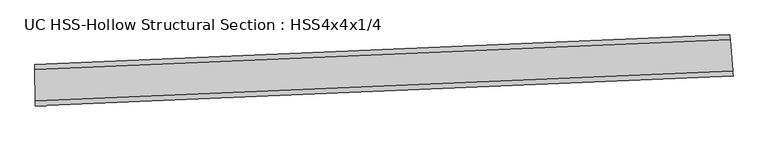
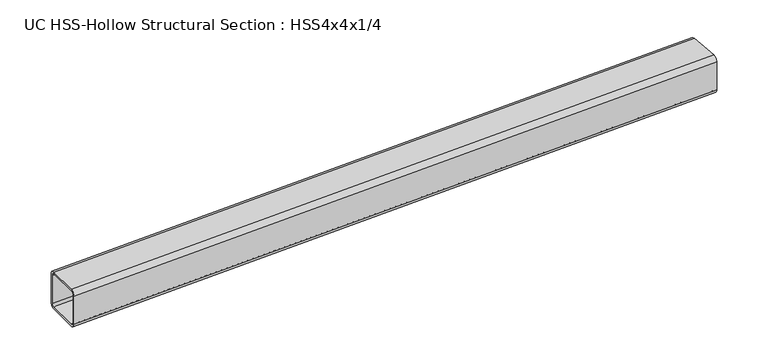
"""IFC4 building model written with IfcOpenShell, lengths in millimetres: beam geometry, UC HSS-Hollow Structural Section : HSS4x4x1/4."""

from ifc_helpers import new_model, si_unit, point, frame, origin, place, context, project, spatial, polyline, circle_curve, ellipse_curve, trimmed, source, transform, mapped, element, save
from ifc_brep_helpers import plane_surface, cylinder_surface, revolved_surface, advanced_brep


def uc_hss_hollow_structural_section_hss4x4x1_4_1772c377(model_context):
    return source(origin(), model_context, "Body", "AdvancedBrep", [
        advanced_brep(
        [(101.5967438, 51.0320546, 38.9636), (101.5967438, 51.0320546, -38.9636), (101.650814, 39.1957781, -50.8), (102.0067953, -38.7306088, -50.8), (102.0608654, -50.5668853, -38.9636), (102.0608654, -50.5668853, 38.9636), (102.0067953, -38.7306088, 50.8), (101.650814, 39.1957781, 50.8), (102.0067953, -38.7306088, 44.8818), (102.0338304, -44.6487471, 38.9636), (102.0338304, -44.6487471, -38.9636), (102.0067953, -38.7306088, -44.8818), (101.650814, 39.1957781, -44.8818), (101.6237789, 45.1139163, -38.9636), (101.6237789, 45.1139163, 38.9636), (101.650814, 39.1957781, 44.8818), (1808.534739, 124.4549223, 38.9636), (1809.497248, 112.6577217, 50.8), (1815.83411, 34.9885986, 50.8), (1816.796619, 23.1913981, 38.9636), (1816.796619, 23.1913981, -38.9636), (1815.83411, 34.9885986, -50.8), (1809.497248, 112.6577217, -50.8), (1808.534739, 124.4549223, -38.9636), (1815.83411, 34.9885986, 44.8818), (1809.497248, 112.6577217, 44.8818), (1809.0159935, 118.556322, 38.9636), (1809.0159935, 118.556322, -38.9636), (1809.497248, 112.6577217, -44.8818), (1815.83411, 34.9885986, -44.8818), (1816.3153645, 29.0899984, -38.9636), (1816.3153645, 29.0899984, 38.9636)],
        [
            (0, 1),
            (1, 2, circle_curve(frame((101.650814, 39.1957781, -38.9636), z_axis=(-0.999989566056174, -0.004568126397664851, 0.0), x_axis=(0.004568126397664851, -0.999989566056174, 0.0)), 11.8364)),
            (2, 3),
            (3, 4, circle_curve(frame((102.0067953, -38.7306088, -38.9636), z_axis=(-0.999989566056174, -0.004568126397664851, 0.0), x_axis=(0.004568126397664851, -0.999989566056174, 0.0)), 11.8364)),
            (4, 5),
            (5, 6, circle_curve(frame((102.0067953, -38.7306088, 38.9636), z_axis=(-0.999989566056174, -0.004568126397664851, 0.0), x_axis=(0.004568126397664851, -0.999989566056174, 0.0)), 11.8364)),
            (6, 7),
            (7, 0, circle_curve(frame((101.650814, 39.1957781, 38.9636), z_axis=(-0.999989566056174, -0.004568126397664851, 0.0), x_axis=(0.004568126397664851, -0.999989566056174, 0.0)), 11.8364)),
            (8, 9, circle_curve(frame((102.0067953, -38.7306088, 38.9636), z_axis=(0.999989566056174, 0.004568126397664851, 0.0), x_axis=(0.004568126397664851, -0.999989566056174, 0.0)), 5.9182)),
            (9, 10),
            (10, 11, circle_curve(frame((102.0067953, -38.7306088, -38.9636), z_axis=(0.999989566056174, 0.004568126397664851, 0.0), x_axis=(0.004568126397664851, -0.999989566056174, 0.0)), 5.9182)),
            (11, 12),
            (12, 13, circle_curve(frame((101.650814, 39.1957781, -38.9636), z_axis=(0.999989566056174, 0.004568126397664851, 0.0), x_axis=(0.004568126397664851, -0.999989566056174, 0.0)), 5.9182)),
            (13, 14),
            (14, 15, circle_curve(frame((101.650814, 39.1957781, 38.9636), z_axis=(0.999989566056174, 0.004568126397664851, 0.0), x_axis=(0.004568126397664851, -0.999989566056174, 0.0)), 5.9182)),
            (15, 8),
            (16, 17, circle_curve(frame((1809.497248, 112.6577217, 38.9636), z_axis=(0.9966882305253137, 0.0813177172104523, 0.0), x_axis=(0.0813177172104523, -0.9966882305253137, 0.0)), 11.8364)),
            (17, 18),
            (18, 19, circle_curve(frame((1815.83411, 34.9885986, 38.9636), z_axis=(0.9966882305253137, 0.0813177172104523, 0.0), x_axis=(0.0813177172104523, -0.9966882305253137, 0.0)), 11.8364)),
            (19, 20),
            (20, 21, circle_curve(frame((1815.83411, 34.9885986, -38.9636), z_axis=(0.9966882305253137, 0.0813177172104523, 0.0), x_axis=(0.0813177172104523, -0.9966882305253137, 0.0)), 11.8364)),
            (21, 22),
            (22, 23, circle_curve(frame((1809.497248, 112.6577217, -38.9636), z_axis=(0.9966882305253137, 0.0813177172104523, 0.0), x_axis=(0.0813177172104523, -0.9966882305253137, 0.0)), 11.8364)),
            (23, 16),
            (24, 25),
            (25, 26, circle_curve(frame((1809.497248, 112.6577217, 38.9636), z_axis=(-0.9966882305253137, -0.0813177172104523, 0.0), x_axis=(0.0813177172104523, -0.9966882305253137, 0.0)), 5.9182)),
            (26, 27),
            (27, 28, circle_curve(frame((1809.497248, 112.6577217, -38.9636), z_axis=(-0.9966882305253137, -0.0813177172104523, 0.0), x_axis=(0.0813177172104523, -0.9966882305253137, 0.0)), 5.9182)),
            (28, 29),
            (29, 30, circle_curve(frame((1815.83411, 34.9885986, -38.9636), z_axis=(-0.9966882305253137, -0.0813177172104523, 0.0), x_axis=(0.0813177172104523, -0.9966882305253137, 0.0)), 5.9182)),
            (30, 31),
            (31, 24, circle_curve(frame((1815.83411, 34.9885986, 38.9636), z_axis=(-0.9966882305253137, -0.0813177172104523, 0.0), x_axis=(0.0813177172104523, -0.9966882305253137, 0.0)), 5.9182)),
            (7, 17, circle_curve(frame((0.0, 22291.1530374, 50.8), z_axis=(0.0, 0.0, 1.0), x_axis=(-0.2142616929129211, 0.97677629319619, 0.0)), 22252.1894374)),
            (16, 0, circle_curve(frame((0.0, 22291.1530374, 38.9636), z_axis=(0.0, 0.0, -1.0), x_axis=(-0.2142616929129211, 0.97677629319619, 0.0)), 22240.3530374)),
            (6, 18, circle_curve(frame((0.0, 22291.1530374, 50.8), z_axis=(0.0, 0.0, 1.0), x_axis=(-0.2142616929129211, 0.97677629319619, 0.0)), 22330.1166374)),
            (5, 19, circle_curve(frame((0.0, 22291.1530374, 38.9636), z_axis=(0.0, 0.0, 1.0), x_axis=(-0.2142616929129211, 0.97677629319619, 0.0)), 22341.9530374)),
            (4, 20, circle_curve(frame((0.0, 22291.1530374, -38.9636), z_axis=(0.0, 0.0, 1.0), x_axis=(-0.2142616929129211, 0.97677629319619, 0.0)), 22341.9530374)),
            (3, 21, circle_curve(frame((0.0, 22291.1530374, -50.8), z_axis=(0.0, 0.0, 1.0), x_axis=(-0.2142616929129211, 0.97677629319619, 0.0)), 22330.1166374)),
            (2, 22, circle_curve(frame((0.0, 22291.1530374, -50.8), z_axis=(0.0, 0.0, 1.0), x_axis=(-0.2142616929129211, 0.97677629319619, 0.0)), 22252.1894374)),
            (1, 23, circle_curve(frame((0.0, 22291.1530374, -38.9636), z_axis=(0.0, 0.0, 1.0), x_axis=(-0.2142616929129211, 0.97677629319619, 0.0)), 22240.3530374)),
            (15, 25, circle_curve(frame((0.0, 22291.1530374, 44.8818), z_axis=(0.0, 0.0, 1.0), x_axis=(-0.2142616929129211, 0.97677629319619, 0.0)), 22252.1894374)),
            (24, 8, circle_curve(frame((0.0, 22291.1530374, 44.8818), z_axis=(0.0, 0.0, -1.0), x_axis=(-0.2142616929129211, 0.97677629319619, 0.0)), 22330.1166374)),
            (14, 26, circle_curve(frame((0.0, 22291.1530374, 38.9636), z_axis=(0.0, 0.0, 1.0), x_axis=(-0.2142616929129211, 0.97677629319619, 0.0)), 22246.2712374)),
            (13, 27, circle_curve(frame((0.0, 22291.1530374, -38.9636), z_axis=(0.0, 0.0, 1.0), x_axis=(-0.2142616929129211, 0.97677629319619, 0.0)), 22246.2712374)),
            (12, 28, circle_curve(frame((0.0, 22291.1530374, -44.8818), z_axis=(0.0, 0.0, 1.0), x_axis=(-0.2142616929129211, 0.97677629319619, 0.0)), 22252.1894374)),
            (11, 29, circle_curve(frame((0.0, 22291.1530374, -44.8818), z_axis=(0.0, 0.0, 1.0), x_axis=(-0.2142616929129211, 0.97677629319619, 0.0)), 22330.1166374)),
            (10, 30, circle_curve(frame((0.0, 22291.1530374, -38.9636), z_axis=(0.0, 0.0, 1.0), x_axis=(-0.2142616929129211, 0.97677629319619, 0.0)), 22336.0348374)),
            (9, 31, circle_curve(frame((0.0, 22291.1530374, 38.9636), z_axis=(0.0, 0.0, 1.0), x_axis=(-0.2142616929129211, 0.97677629319619, 0.0)), 22336.0348374)),
        ],
        [
            plane_surface(frame((101.8288046, 0.2325846, 0.0), z_axis=(-0.999989566056174, -0.004568126397671263, 0.0), x_axis=(0.0, 0.0, 1.0))),
            plane_surface(frame((1812.665679, 73.8231602, 0.0), z_axis=(0.9966882305253133, 0.08131771721045872, 0.0), x_axis=(0.0, 0.0, 1.0))),
            revolved_surface(trimmed(ellipse_curve(frame((-4767.7917799, 44026.5641516, 38.9636), z_axis=(-0.9767762931961914, -0.21426169291291441, 0.0), x_axis=(-0.21426169291291441, 0.9767762931961914, 0.0)), 11.8364, 11.8364), [point((-4765.2556928, 44015.0026366, 38.9636))], [point((-4767.7917799, 44026.5641516, 50.8))], True, "CARTESIAN"), (0.0, 22291.1530374, 0.0), (0.0, 0.0, -1.0000000000000002)),
            plane_surface(frame((0.0, 22291.1530374, 50.8), z_axis=(0.0, 0.0, 1.0000000000000002), x_axis=(-0.2142616929129211, 0.97677629319619, 0.0))),
            revolved_surface(trimmed(ellipse_curve(frame((-4784.4885937, 44102.6815931, 38.9636), z_axis=(-0.9767762931961914, -0.21426169291291441, 0.0), x_axis=(-0.21426169291291441, 0.9767762931961914, 0.0)), 11.8364, 11.8364), [point((-4784.4885937, 44102.6815931, 50.8))], [point((-4787.0246808, 44114.243108, 38.9636))], True, "CARTESIAN"), (0.0, 22291.1530374, 0.0), (0.0, 0.0, -1.0000000000000002)),
            cylinder_surface(frame((0.0, 22291.1530374, 0.0), z_axis=(0.0, 0.0, -1.0000000000000002), x_axis=(-0.2142616929129211, 0.97677629319619, 0.0)), 22341.9530374),
            revolved_surface(trimmed(ellipse_curve(frame((-4784.4885937, 44102.6815931, -38.9636), z_axis=(-0.9767762931961914, -0.21426169291291441, 0.0), x_axis=(-0.21426169291291441, 0.9767762931961914, 0.0)), 11.8364, 11.8364), [point((-4787.0246808, 44114.243108, -38.9636))], [point((-4784.4885937, 44102.6815931, -50.8))], True, "CARTESIAN"), (0.0, 22291.1530374, 0.0), (0.0, 0.0, -1.0000000000000002)),
            plane_surface(frame((0.0, 22291.1530374, -50.8), z_axis=(0.0, 0.0, -1.0000000000000002), x_axis=(-0.2142616929129211, 0.97677629319619, 0.0))),
            revolved_surface(trimmed(ellipse_curve(frame((-4767.7917799, 44026.5641516, -38.9636), z_axis=(-0.9767762931961914, -0.21426169291291441, 0.0), x_axis=(-0.21426169291291441, 0.9767762931961914, 0.0)), 11.8364, 11.8364), [point((-4767.7917799, 44026.5641516, -50.8))], [point((-4765.2556928, 44015.0026366, -38.9636))], True, "CARTESIAN"), (0.0, 22291.1530374, 0.0), (0.0, 0.0, -1.0000000000000002)),
            revolved_surface(polyline([(-4765.255692774351, 44015.0026366462, -38.963600000000014), (-4765.255692774351, 44015.0026366462, 38.963600000000014)]), (0.0, 22291.1530374, 0.0), (0.0, 0.0, -1.0000000000000002)),
            plane_surface(frame((0.0, 22291.1530374, 44.8818), z_axis=(0.0, 0.0, -1.0000000000000002), x_axis=(-0.2142616929129211, 0.97677629319619, 0.0))),
            revolved_surface(trimmed(ellipse_curve(frame((-4767.7917799, 44026.5641516, 38.9636), z_axis=(0.9767762931961914, 0.21426169291291441, 0.0), x_axis=(-0.21426169291291441, 0.9767762931961914, 0.0)), 5.9182, 5.9182), [point((-4767.7917799, 44026.5641516, 44.8818))], [point((-4766.5237363, 44020.7833941, 38.9636))], True, "CARTESIAN"), (0.0, 22291.1530374, 0.0), (0.0, 0.0, -1.0000000000000002)),
            cylinder_surface(frame((0.0, 22291.1530374, 0.0), z_axis=(0.0, 0.0, -1.0000000000000002), x_axis=(-0.2142616929129211, 0.97677629319619, 0.0)), 22246.2712374),
            revolved_surface(trimmed(ellipse_curve(frame((-4767.7917799, 44026.5641516, -38.9636), z_axis=(0.9767762931961914, 0.21426169291291441, 0.0), x_axis=(-0.21426169291291441, 0.9767762931961914, 0.0)), 5.9182, 5.9182), [point((-4766.5237363, 44020.7833941, -38.9636))], [point((-4767.7917799, 44026.5641516, -44.8818))], True, "CARTESIAN"), (0.0, 22291.1530374, 0.0), (0.0, 0.0, -1.0000000000000002)),
            plane_surface(frame((0.0, 22291.1530374, -44.8818), z_axis=(0.0, 0.0, 1.0000000000000002), x_axis=(-0.2142616929129211, 0.97677629319619, 0.0))),
            revolved_surface(trimmed(ellipse_curve(frame((-4784.4885937, 44102.6815931, -38.9636), z_axis=(0.9767762931961914, 0.21426169291291441, 0.0), x_axis=(-0.21426169291291441, 0.9767762931961914, 0.0)), 5.9182, 5.9182), [point((-4784.4885937, 44102.6815931, -44.8818))], [point((-4785.7566372, 44108.4623506, -38.9636))], True, "CARTESIAN"), (0.0, 22291.1530374, 0.0), (0.0, 0.0, -1.0000000000000002)),
            revolved_surface(polyline([(-4785.756637223306, 44108.462350576534, -38.963600000000014), (-4785.756637223306, 44108.462350576534, 38.963600000000014)]), (0.0, 22291.1530374, 0.0), (0.0, 0.0, -1.0000000000000002)),
            revolved_surface(trimmed(ellipse_curve(frame((-4784.4885937, 44102.6815931, 38.9636), z_axis=(0.9767762931961914, 0.21426169291291441, 0.0), x_axis=(-0.21426169291291441, 0.9767762931961914, 0.0)), 5.9182, 5.9182), [point((-4785.7566372, 44108.4623506, 38.9636))], [point((-4784.4885937, 44102.6815931, 44.8818))], True, "CARTESIAN"), (0.0, 22291.1530374, 0.0), (0.0, 0.0, -1.0000000000000002)),
        ],
        [
            (0, [[1, 2, 3, 4, 5, 6, 7, 8], [9, 10, 11, 12, 13, 14, 15, 16]]),
            (1, [[17, 18, 19, 20, 21, 22, 23, 24], [25, 26, 27, 28, 29, 30, 31, 32]]),
            (2, [[33, -17, 34, -8]]),
            (3, [[35, -18, -33, -7]]),
            (4, [[36, -19, -35, -6]]),
            (5, [[37, -20, -36, -5]]),
            (6, [[38, -21, -37, -4]]),
            (7, [[39, -22, -38, -3]]),
            (8, [[40, -23, -39, -2]]),
            (9, [[-34, -24, -40, -1]]),
            (10, [[41, -25, 42, -16]]),
            (11, [[43, -26, -41, -15]]),
            (12, [[44, -27, -43, -14]]),
            (13, [[45, -28, -44, -13]]),
            (14, [[46, -29, -45, -12]]),
            (15, [[47, -30, -46, -11]]),
            (16, [[48, -31, -47, -10]]),
            (17, [[-42, -32, -48, -9]]),
        ],
    ),
    ])


if __name__ == "__main__":
    model = new_model("IFC4")
    model_context = context("Model", 3, world=origin())
    ifc_project = project(units=[si_unit("LENGTHUNIT", "METRE", prefix="MILLI")], contexts=[model_context])
    site = spatial("IfcSite", under=ifc_project)
    building = spatial("IfcBuilding", under=site)
    placement = place(None, origin())
    uc_hss_hollow_structural_section_hss4x4x1_4_shape = uc_hss_hollow_structural_section_hss4x4x1_4_1772c377(model_context)
    element("IfcBeam", 1, ObjectType="UC HSS-Hollow Structural Section : HSS4x4x1/4", at=placement, inside=building, context=model_context, shape_type="MappedRepresentation", body=[
        mapped(uc_hss_hollow_structural_section_hss4x4x1_4_shape, transform((0.0, 0.0, 0.0), x_axis=(1.0, 0.0, 0.0), y_axis=(0.0, 1.0, 0.0), z_axis=(0.0, 0.0, 1.0))),
    ])
    save(model, "model.ifc")
